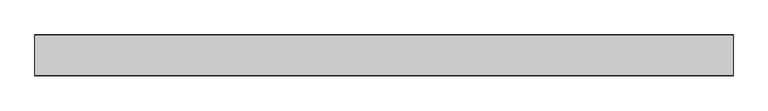
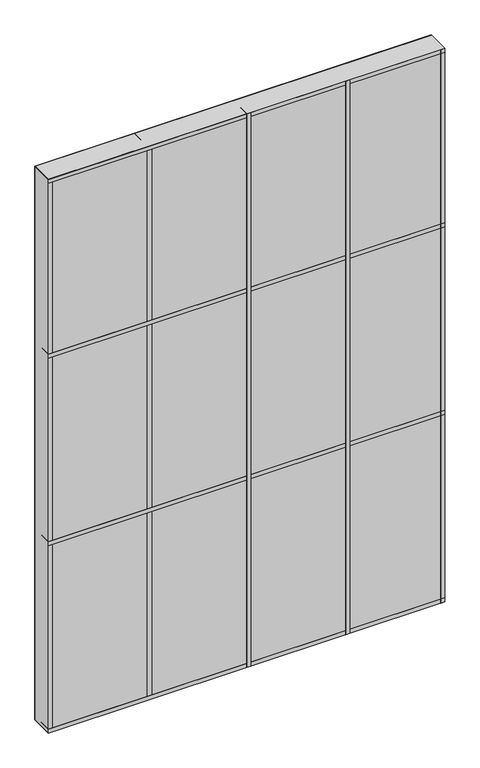
"""IFC4 building model written with IfcOpenShell, lengths in millimetres: plate geometry."""

from ifc_helpers import new_model, si_unit, frame, origin, origin_with_axes, place, context, project, spatial, polyline, outline, extrude, source, transform, mapped, element, save


def plate_14a209b1(model_context):
    return source(origin(), model_context, "Body", "SweptSolid", [
        extrude(outline(polyline([(609.6, 34.925), (609.6, -34.925), (-609.6, -34.925), (-609.6, 34.925), (609.6, 34.925)])), origin_with_axes(), (0.0, 0.0, 1.0), 1799.8),
        extrude(outline(polyline([(317.5, 35.71875), (317.5, -35.71875), (304.8, -35.71875), (304.8, 35.71875), (317.5, 35.71875)])), origin_with_axes(), (0.0, 0.0, 1.0), 1799.8),
        extrude(outline(polyline([(12.7, 35.71875), (12.7, -35.71875), (0.0, -35.71875), (0.0, 35.71875), (12.7, 35.71875)])), origin_with_axes(), (0.0, 0.0, 1.0), 1799.8),
        extrude(outline(polyline([(609.6, 35.71875), (609.6, -35.71875), (-609.6, -35.71875), (-609.6, 35.71875), (609.6, 35.71875)])), frame((0.0, 0.0, 1219.2), z_axis=(0.0, 0.0, 1.0), x_axis=(1.0, 0.0, 0.0)), (0.0, 0.0, 1.0), 12.7),
        extrude(outline(polyline([(609.6, 35.71875), (609.6, -35.71875), (-609.6, -35.71875), (-609.6, 35.71875), (609.6, 35.71875)])), frame((0.0, 0.0, 1787.1), z_axis=(0.0, 0.0, 1.0), x_axis=(1.0, 0.0, 0.0)), (0.0, 0.0, 1.0), 12.7),
        extrude(outline(polyline([(609.6, 35.71875), (609.6, -35.71875), (-609.6, -35.71875), (-609.6, 35.71875), (609.6, 35.71875)])), frame((0.0, 0.0, 609.6), z_axis=(0.0, 0.0, 1.0), x_axis=(1.0, 0.0, 0.0)), (0.0, 0.0, 1.0), 12.7),
        extrude(outline(polyline([(609.6, 35.71875), (609.6, -35.71875), (-609.6, -35.71875), (-609.6, 35.71875), (609.6, 35.71875)])), origin_with_axes(), (0.0, 0.0, 1.0), 12.7),
        extrude(outline(polyline([(-292.1, 35.71875), (-292.1, -35.71875), (-304.8, -35.71875), (-304.8, 35.71875), (-292.1, 35.71875)])), origin_with_axes(), (0.0, 0.0, 1.0), 1799.8),
        extrude(outline(polyline([(609.6, 35.71875), (609.6, -35.71875), (596.9, -35.71875), (596.9, 35.71875), (609.6, 35.71875)])), origin_with_axes(), (0.0, 0.0, 1.0), 1799.8),
        extrude(outline(polyline([(-596.9, 35.71875), (-596.9, -35.71875), (-609.6, -35.71875), (-609.6, 35.71875), (-596.9, 35.71875)])), origin_with_axes(), (0.0, 0.0, 1.0), 1799.8),
    ])


if __name__ == "__main__":
    model = new_model("IFC4")
    model_context = context("Model", 3, world=origin())
    ifc_project = project(units=[si_unit("LENGTHUNIT", "METRE", prefix="MILLI")], contexts=[model_context])
    site = spatial("IfcSite", under=ifc_project)
    building = spatial("IfcBuilding", under=site)
    placement = place(None, origin())
    plate_shape = plate_14a209b1(model_context)
    element("IfcPlate", 1, at=placement, inside=building, context=model_context, shape_type="MappedRepresentation", body=[
        mapped(plate_shape, transform((0.0, 0.0, 0.0), x_axis=(1.0, 0.0, 0.0), y_axis=(0.0, 1.0, 0.0), z_axis=(0.0, 0.0, 1.0))),
    ])
    save(model, "model.ifc")
